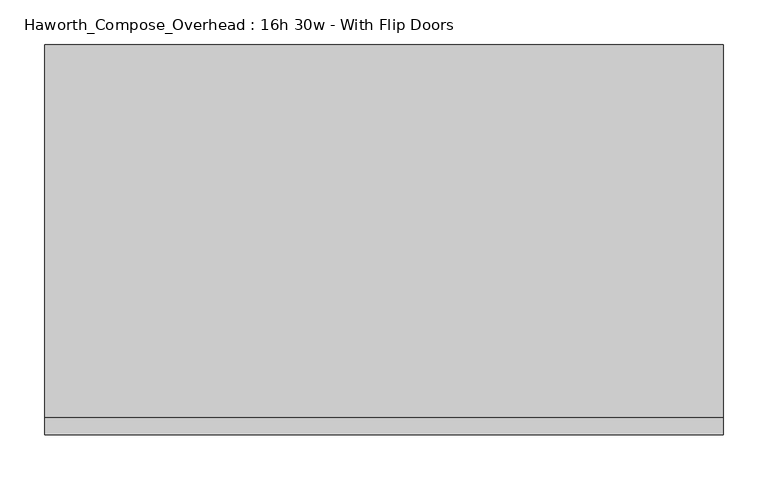
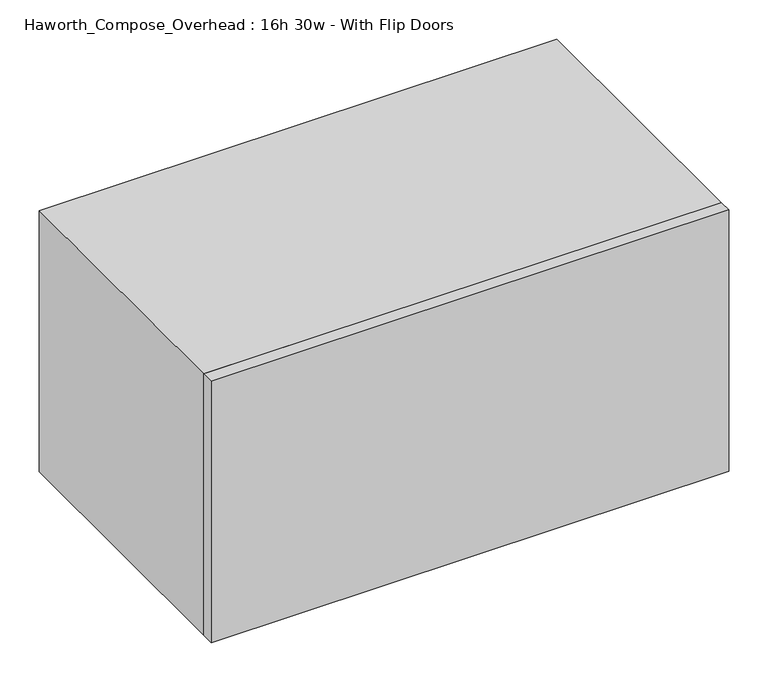
"""IFC4 building model written with IfcOpenShell, lengths in millimetres: furniture geometry, Haworth_Compose_Overhead : 16h 30w - With Flip Doors."""

from ifc_helpers import new_model, si_unit, frame, origin, place, context, project, spatial, polyline, outline, extrude, source, transform, mapped, element, save


def haworth_compose_overhead_16h_30w_with_flip_doors_0b505921(model_context):
    return source(origin(), model_context, "Body", "SweptSolid", [
        extrude(outline(polyline([(546.1, -438.15), (-215.9, -438.15), (-215.9, -419.1), (546.1, -419.1), (546.1, -438.15)])), frame((0.0, 0.0, 1270.0), z_axis=(0.0, 0.0, 1.0), x_axis=(1.0, 0.0, 0.0)), (0.0, 0.0, 1.0), 406.4),
        extrude(outline(polyline([(520.7, -6.35), (-190.5, -6.35), (-190.5, 0.0), (520.7, 0.0), (520.7, -6.35)])), frame((0.0, 0.0, 1295.4), z_axis=(0.0, 0.0, 1.0), x_axis=(1.0, 0.0, 0.0)), (0.0, 0.0, 1.0), 355.6),
        extrude(outline(polyline([(1270.0, 546.1), (1676.4, 546.1), (1676.4, -215.9), (1270.0, -215.9), (1270.0, 546.1)]), holes=[polyline([(1651.0, 520.7), (1295.4, 520.7), (1295.4, -190.5), (1651.0, -190.5), (1651.0, 520.7)])]), frame((0.0, -419.1, 0.0), z_axis=(0.0, 1.0, 0.0), x_axis=(0.0, 0.0, 1.0)), (0.0, 0.0, 1.0), 419.1),
    ])


if __name__ == "__main__":
    model = new_model("IFC4")
    model_context = context("Model", 3, world=origin())
    ifc_project = project(units=[si_unit("LENGTHUNIT", "METRE", prefix="MILLI")], contexts=[model_context])
    site = spatial("IfcSite", under=ifc_project)
    building = spatial("IfcBuilding", under=site)
    placement = place(None, origin())
    haworth_compose_overhead_16h_30w_with_flip_doors_shape = haworth_compose_overhead_16h_30w_with_flip_doors_0b505921(model_context)
    element("IfcFurniture", 1, ObjectType="Haworth_Compose_Overhead : 16h 30w - With Flip Doors", at=placement, inside=building, context=model_context, shape_type="MappedRepresentation", body=[
        mapped(haworth_compose_overhead_16h_30w_with_flip_doors_shape, transform((0.0, 0.0, 0.0), x_axis=(1.0, 0.0, 0.0), y_axis=(0.0, 1.0, 0.0), z_axis=(0.0, 0.0, 1.0))),
    ])
    save(model, "model.ifc")
